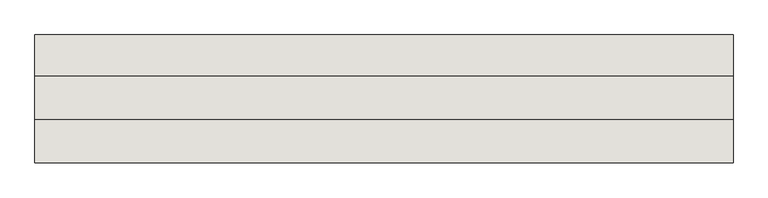
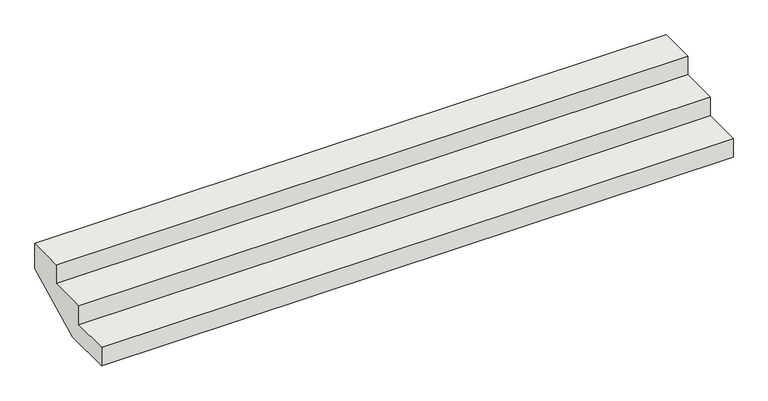
"""IFC4 building model written with IfcOpenShell, lengths in millimetres: wall geometry."""

from ifc_helpers import new_model, si_unit, frame, origin, place, context, project, spatial, polyline, outline, extrude, source, transform, mapped, element, save


def wall_5a18720a(model_context):
    return source(origin(), model_context, "Body", "SweptSolid", [
        extrude(outline(polyline([(3272.6573753, -500.0), (3272.6573753, -350.0), (3572.6573753, -350.0), (3572.6573753, -200.0), (3872.6573753, -200.0), (3872.6573753, -50.0), (4152.7889315, -50.0), (4152.7889315, -250.0), (3652.7889315, -500.0), (3272.6573753, -500.0)])), frame((9814.4559604, 0.0, 0.0), z_axis=(1.0, 0.0, 0.0), x_axis=(0.0, 1.0, 0.0)), (0.0, 0.0, 1.0), 4800.0),
    ])


if __name__ == "__main__":
    model = new_model("IFC4")
    model_context = context("Model", 3, world=origin())
    ifc_project = project(units=[si_unit("LENGTHUNIT", "METRE", prefix="MILLI")], contexts=[model_context])
    site = spatial("IfcSite", under=ifc_project)
    building = spatial("IfcBuilding", under=site)
    placement = place(None, origin())
    wall_shape = wall_5a18720a(model_context)
    element("IfcWall", 1, at=placement, inside=building, context=model_context, shape_type="MappedRepresentation", body=[
        mapped(wall_shape, transform((0.0, 0.0, 0.0), x_axis=(1.0, 0.0, 0.0), y_axis=(0.0, 1.0, 0.0), z_axis=(0.0, 0.0, 1.0))),
    ])
    save(model, "model.ifc")
